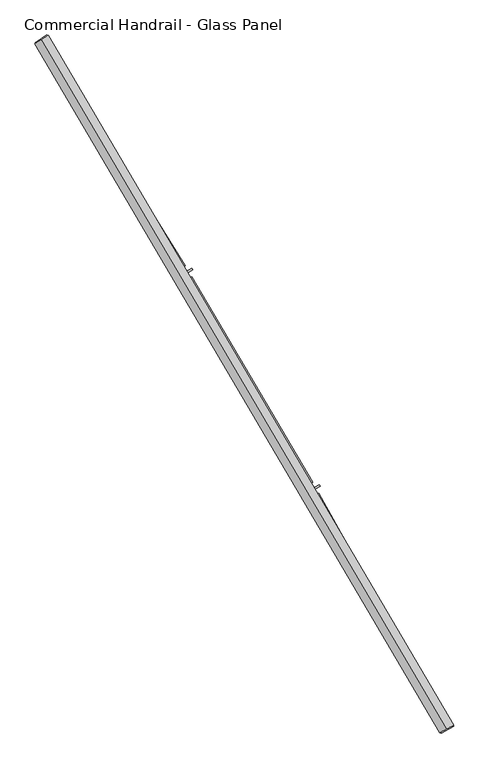
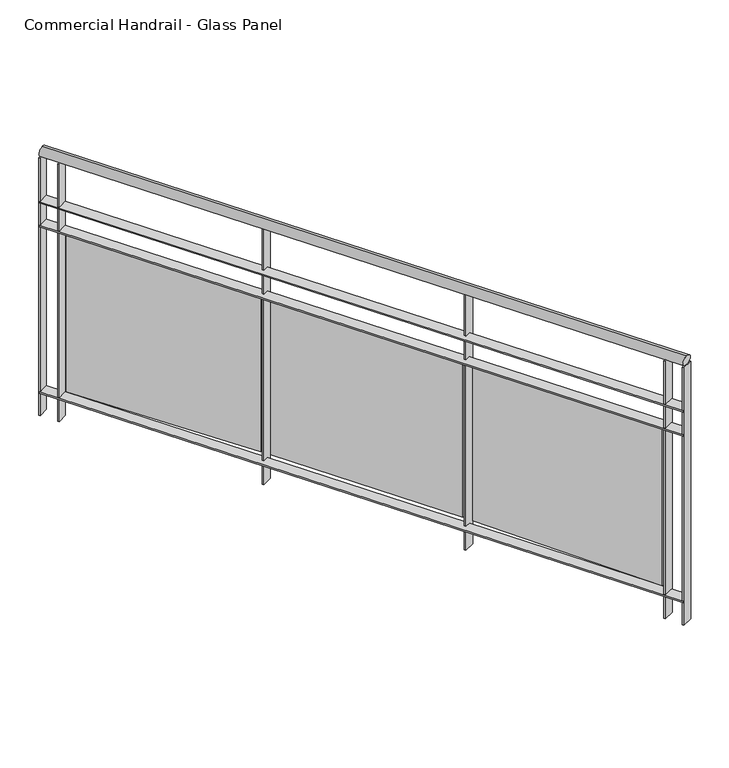
"""IFC4 building model written with IfcOpenShell, lengths in millimetres: railing geometry, Commercial Handrail - Glass Panel."""

from ifc_helpers import new_model, si_unit, point, frame, origin, place, context, project, spatial, polyline, circle_curve, ellipse_curve, trimmed, outline, extrude, source, transform, mapped, element, save
from ifc_brep_helpers import plane_surface, cylinder_surface, revolved_surface, advanced_brep


def commercial_handrail_glass_panel_beaf0eca(model_context):
    return source(origin(), model_context, "Body", "SolidModel", [
        advanced_brep(
        [(177076.0575657, -31977.9006077, 26482.5), (175783.9289157, -29780.3413827, 26482.5), (175783.9289157, -29780.3413827, 26517.5), (177076.0575657, -31977.9006077, 26517.5)],
        [
            (0, 1, circle_curve(frame((146629.3968491, -48401.3811221, 26482.5), z_axis=(0.0, 0.0, 1.0), x_axis=(0.8427679503753938, 0.5382770493157384, 0.0)), 34593.7835601)),
            (1, 2, ellipse_curve(frame((175783.9289157, -29780.3413827, 26500.0), z_axis=(0.5382770493157341, -0.8427679503753968, 0.0), x_axis=(-0.8427679503753965, -0.538277049315734, 0.0)), 25.0, 17.5)),
            (2, 3, circle_curve(frame((146629.3968491, -48401.3811221, 26517.5), z_axis=(0.0, 0.0, -1.0), x_axis=(0.8427679503753938, 0.5382770493157384, 0.0)), 34593.7835601)),
            (3, 0, ellipse_curve(frame((177076.0575657, -31977.9006077, 26500.0), z_axis=(-0.4747523636984615, 0.8801194198304706, 0.0), x_axis=(-0.8801194198304704, -0.4747523636984614, 0.0)), 25.0, 17.5)),
            (2, 1, ellipse_curve(frame((175783.9289157, -29780.3413827, 26500.0), z_axis=(0.5382770493157341, -0.8427679503753968, 0.0), x_axis=(-0.8427679503753965, -0.538277049315734, 0.0)), 25.0, 17.5)),
            (0, 3, ellipse_curve(frame((177076.0575657, -31977.9006077, 26500.0), z_axis=(-0.4747523636984615, 0.8801194198304706, 0.0), x_axis=(-0.8801194198304704, -0.4747523636984614, 0.0)), 25.0, 17.5)),
        ],
        [
            revolved_surface(trimmed(ellipse_curve(frame((175783.9289157, -29780.3413827, 26500.0), z_axis=(-0.5382770493157384, 0.8427679503753938, 0.0), x_axis=(0.0, 0.0, -1.0)), 17.5, 25.0), [point((175783.9289157, -29780.3413827, 26517.5))], [point((175783.9289157, -29780.3413827, 26482.5))], True, "CARTESIAN"), (146629.3968491, -48401.3811221, 26500.0), (0.0, 0.0, -1.0)),
            revolved_surface(trimmed(ellipse_curve(frame((175783.9289157, -29780.3413827, 26500.0), z_axis=(-0.5382770493157384, 0.8427679503753938, 0.0), x_axis=(0.0, 0.0, -1.0)), 17.5, 25.0), [point((175783.9289157, -29780.3413827, 26482.5))], [point((175783.9289157, -29780.3413827, 26517.5))], True, "CARTESIAN"), (146629.3968491, -48401.3811221, 26500.0), (0.0, 0.0, -1.0)),
            plane_surface(frame((175783.9289157, -29780.3413827, 26500.0), z_axis=(-0.5382770493157384, 0.8427679503753938, 0.0), x_axis=(0.8427679503753938, 0.5382770493157384, 0.0))),
            plane_surface(frame((177076.0575657, -31977.9006077, 26500.0), z_axis=(0.4747523636984607, -0.8801194198304708, 0.0), x_axis=(0.8801194198304708, 0.4747523636984607, 0.0))),
        ],
        [
            (0, [[1, 2, 3, 4]]),
            (1, [[-3, 5, -1, 6]]),
            (2, [[-2, -5]]),
            (3, [[-6, -4]]),
        ],
    ),
        advanced_brep(
        [(177095.8602527, -31967.2186795, 26300.0), (175802.8911946, -29768.2301491, 26300.0), (175764.9666369, -29792.4526163, 26300.0), (177056.2548788, -31988.5825359, 26300.0), (177095.8602527, -31967.2186795, 26294.0), (175802.8911946, -29768.2301491, 26294.0), (177056.2548788, -31988.5825359, 26294.0), (175764.9666369, -29792.4526163, 26294.0)],
        [
            (0, 1, circle_curve(frame((146629.3968491, -48401.3811221, 26300.0), z_axis=(0.0, 0.0, 1.0), x_axis=(0.8427679503753938, 0.5382770493157384, 0.0)), 34616.2835601)),
            (1, 2),
            (2, 3, circle_curve(frame((146629.3968491, -48401.3811221, 26300.0), z_axis=(0.0, 0.0, -1.0), x_axis=(0.8427679503753938, 0.5382770493157384, 0.0)), 34571.2835601)),
            (3, 0),
            (4, 5, circle_curve(frame((146629.3968491, -48401.3811221, 26294.0), z_axis=(0.0, 0.0, 1.0), x_axis=(0.8427679503753938, 0.5382770493157384, 0.0)), 34616.2835601)),
            (5, 1),
            (0, 4),
            (6, 7, circle_curve(frame((146629.3968491, -48401.3811221, 26294.0), z_axis=(0.0, 0.0, 1.0), x_axis=(0.8427679503753938, 0.5382770493157384, 0.0)), 34571.2835601)),
            (7, 5),
            (4, 6),
            (2, 7),
            (6, 3),
        ],
        [
            plane_surface(frame((146629.3968491, -48401.3811221, 26300.0), z_axis=(0.0, 0.0, 1.0), x_axis=(0.8427679503753938, 0.5382770493157384, 0.0))),
            cylinder_surface(frame((146629.3968491, -48401.3811221, 26300.0), z_axis=(0.0, 0.0, -1.0), x_axis=(0.8427679503753938, 0.5382770493157384, 0.0)), 34616.2835601),
            plane_surface(frame((146629.3968491, -48401.3811221, 26294.0), z_axis=(0.0, 0.0, -1.0), x_axis=(0.8427679503753938, 0.5382770493157384, 0.0))),
            revolved_surface(polyline([(175764.96663689203, -29792.45261631168, 26294.0), (175764.96663689203, -29792.45261631168, 26300.0)]), (146629.3968491, -48401.3811221, 26300.0), (0.0, 0.0, -1.0)),
            plane_surface(frame((175783.9289157, -29780.3413827, 26300.0), z_axis=(-0.5382770493157384, 0.8427679503753938, 0.0), x_axis=(0.8427679503753938, 0.5382770493157384, 0.0))),
            plane_surface(frame((177076.0575657, -31977.9006077, 26300.0), z_axis=(0.4747523636984607, -0.8801194198304708, 0.0), x_axis=(0.8801194198304708, 0.4747523636984607, 0.0))),
        ],
        [
            (0, [[1, 2, 3, 4]]),
            (1, [[5, 6, -1, 7]]),
            (2, [[8, 9, -5, 10]]),
            (3, [[-3, 11, -8, 12]]),
            (4, [[-2, -6, -9, -11]]),
            (5, [[-12, -10, -7, -4]]),
        ],
    ),
        advanced_brep(
        [(177095.8602527, -31967.2186795, 26200.0), (175802.8911946, -29768.2301491, 26200.0), (175764.9666369, -29792.4526163, 26200.0), (177056.2548788, -31988.5825359, 26200.0), (177095.8602527, -31967.2186795, 26194.0), (175802.8911946, -29768.2301491, 26194.0), (177056.2548788, -31988.5825359, 26194.0), (175764.9666369, -29792.4526163, 26194.0)],
        [
            (0, 1, circle_curve(frame((146629.3968491, -48401.3811221, 26200.0), z_axis=(0.0, 0.0, 1.0), x_axis=(0.8427679503753938, 0.5382770493157384, 0.0)), 34616.2835601)),
            (1, 2),
            (2, 3, circle_curve(frame((146629.3968491, -48401.3811221, 26200.0), z_axis=(0.0, 0.0, -1.0), x_axis=(0.8427679503753938, 0.5382770493157384, 0.0)), 34571.2835601)),
            (3, 0),
            (4, 5, circle_curve(frame((146629.3968491, -48401.3811221, 26194.0), z_axis=(0.0, 0.0, 1.0), x_axis=(0.8427679503753938, 0.5382770493157384, 0.0)), 34616.2835601)),
            (5, 1),
            (0, 4),
            (6, 7, circle_curve(frame((146629.3968491, -48401.3811221, 26194.0), z_axis=(0.0, 0.0, 1.0), x_axis=(0.8427679503753938, 0.5382770493157384, 0.0)), 34571.2835601)),
            (7, 5),
            (4, 6),
            (2, 7),
            (6, 3),
        ],
        [
            plane_surface(frame((146629.3968491, -48401.3811221, 26200.0), z_axis=(0.0, 0.0, 1.0), x_axis=(0.8427679503753938, 0.5382770493157384, 0.0))),
            cylinder_surface(frame((146629.3968491, -48401.3811221, 26200.0), z_axis=(0.0, 0.0, -1.0), x_axis=(0.8427679503753938, 0.5382770493157384, 0.0)), 34616.2835601),
            plane_surface(frame((146629.3968491, -48401.3811221, 26194.0), z_axis=(0.0, 0.0, -1.0), x_axis=(0.8427679503753938, 0.5382770493157384, 0.0))),
            revolved_surface(polyline([(175764.96663689203, -29792.45261631168, 26194.0), (175764.96663689203, -29792.45261631168, 26200.0)]), (146629.3968491, -48401.3811221, 26200.0), (0.0, 0.0, -1.0)),
            plane_surface(frame((175783.9289157, -29780.3413827, 26200.0), z_axis=(-0.5382770493157384, 0.8427679503753938, 0.0), x_axis=(0.8427679503753938, 0.5382770493157384, 0.0))),
            plane_surface(frame((177076.0575657, -31977.9006077, 26200.0), z_axis=(0.4747523636984607, -0.8801194198304708, 0.0), x_axis=(0.8801194198304708, 0.4747523636984607, 0.0))),
        ],
        [
            (0, [[1, 2, 3, 4]]),
            (1, [[5, 6, -1, 7]]),
            (2, [[8, 9, -5, 10]]),
            (3, [[-3, 11, -8, 12]]),
            (4, [[-2, -6, -9, -11]]),
            (5, [[-12, -10, -7, -4]]),
        ],
    ),
        advanced_brep(
        [(177095.8602527, -31967.2186795, 25500.0), (175802.8911946, -29768.2301491, 25500.0), (175764.9666369, -29792.4526163, 25500.0), (177056.2548788, -31988.5825359, 25500.0), (177095.8602527, -31967.2186795, 25494.0), (175802.8911946, -29768.2301491, 25494.0), (177056.2548788, -31988.5825359, 25494.0), (175764.9666369, -29792.4526163, 25494.0)],
        [
            (0, 1, circle_curve(frame((146629.3968491, -48401.3811221, 25500.0), z_axis=(0.0, 0.0, 1.0), x_axis=(0.8427679503753938, 0.5382770493157384, 0.0)), 34616.2835601)),
            (1, 2),
            (2, 3, circle_curve(frame((146629.3968491, -48401.3811221, 25500.0), z_axis=(0.0, 0.0, -1.0), x_axis=(0.8427679503753938, 0.5382770493157384, 0.0)), 34571.2835601)),
            (3, 0),
            (4, 5, circle_curve(frame((146629.3968491, -48401.3811221, 25494.0), z_axis=(0.0, 0.0, 1.0), x_axis=(0.8427679503753938, 0.5382770493157384, 0.0)), 34616.2835601)),
            (5, 1),
            (0, 4),
            (6, 7, circle_curve(frame((146629.3968491, -48401.3811221, 25494.0), z_axis=(0.0, 0.0, 1.0), x_axis=(0.8427679503753938, 0.5382770493157384, 0.0)), 34571.2835601)),
            (7, 5),
            (4, 6),
            (2, 7),
            (6, 3),
        ],
        [
            plane_surface(frame((146629.3968491, -48401.3811221, 25500.0), z_axis=(0.0, 0.0, 1.0), x_axis=(0.8427679503753938, 0.5382770493157384, 0.0))),
            cylinder_surface(frame((146629.3968491, -48401.3811221, 25500.0), z_axis=(0.0, 0.0, -1.0), x_axis=(0.8427679503753938, 0.5382770493157384, 0.0)), 34616.2835601),
            plane_surface(frame((146629.3968491, -48401.3811221, 25494.0), z_axis=(0.0, 0.0, -1.0), x_axis=(0.8427679503753938, 0.5382770493157384, 0.0))),
            revolved_surface(polyline([(175764.96663689203, -29792.45261631168, 25494.0), (175764.96663689203, -29792.45261631168, 25500.0)]), (146629.3968491, -48401.3811221, 25500.0), (0.0, 0.0, -1.0)),
            plane_surface(frame((175783.9289157, -29780.3413827, 25500.0), z_axis=(-0.5382770493157384, 0.8427679503753938, 0.0), x_axis=(0.8427679503753938, 0.5382770493157384, 0.0))),
            plane_surface(frame((177076.0575657, -31977.9006077, 25500.0), z_axis=(0.4747523636984607, -0.8801194198304708, 0.0), x_axis=(0.8801194198304708, 0.4747523636984607, 0.0))),
        ],
        [
            (0, [[1, 2, 3, 4]]),
            (1, [[5, 6, -1, 7]]),
            (2, [[8, 9, -5, 10]]),
            (3, [[-3, 11, -8, 12]]),
            (4, [[-2, -6, -9, -11]]),
            (5, [[-12, -10, -7, -4]]),
        ],
    ),
        extrude(outline(polyline([(177019.2025619, -31920.0776321), (177058.7615677, -31898.6280386), (177061.6215135, -31903.9025727), (177022.0625077, -31925.3521662), (177019.2025619, -31920.0776321)])), frame((0.0, 0.0, 25400.0), z_axis=(0.0, 0.0, 1.0), x_axis=(1.0, 0.0, 0.0)), (0.0, 0.0, 1.0), 1082.1192282),
        extrude(outline(polyline([(176667.9811331, -31226.6066951), (177037.9417222, -31890.4810526), (177027.4594955, -31896.3225355), (176657.4989064, -31232.4481781), (176667.9811331, -31226.6066951)])), frame((0.0, 0.0, 25520.0), z_axis=(0.0, 0.0, 1.0), x_axis=(1.0, 0.0, 0.0)), (0.0, 0.0, 1.0), 660.0),
        extrude(outline(polyline([(176629.9717234, -31221.766365), (176669.0241625, -31199.4077648), (176672.0053092, -31204.6147567), (176632.9528701, -31226.9733569), (176629.9717234, -31221.766365)])), frame((0.0, 0.0, 25400.0), z_axis=(0.0, 0.0, 1.0), x_axis=(1.0, 0.0, 0.0)), (0.0, 0.0, 1.0), 1082.1192282),
        extrude(outline(polyline([(176262.8087433, -30536.6023126), (176648.0214972, -31191.7443844), (176637.6771487, -31197.8266911), (176252.4643948, -30542.6846193), (176262.8087433, -30536.6023126)])), frame((0.0, 0.0, 25520.0), z_axis=(0.0, 0.0, 1.0), x_axis=(1.0, 0.0, 0.0)), (0.0, 0.0, 1.0), 660.0),
        extrude(outline(polyline([(176224.6975714, -30532.6421866), (176263.2225599, -30509.3865364), (176266.3233132, -30514.5232015), (176227.7983248, -30537.7788517), (176224.6975714, -30532.6421866)])), frame((0.0, 0.0, 25400.0), z_axis=(0.0, 0.0, 1.0), x_axis=(1.0, 0.0, 0.0)), (0.0, 0.0, 1.0), 1082.1192282),
        extrude(outline(polyline([(175841.7893867, -29856.1514219), (176242.0483063, -30502.2108598), (176231.8473678, -30508.5307375), (175831.5884482, -29862.4712996), (175841.7893867, -29856.1514219)])), frame((0.0, 0.0, 25520.0), z_axis=(0.0, 0.0, 1.0), x_axis=(1.0, 0.0, 0.0)), (0.0, 0.0, 1.0), 660.0),
        extrude(outline(polyline([(175803.5968332, -29853.0736178), (175841.5737692, -29828.9333539), (175844.792471, -29833.9969454), (175806.8155351, -29858.1372092), (175803.5968332, -29853.0736178)])), frame((0.0, 0.0, 25400.0), z_axis=(0.0, 0.0, 1.0), x_axis=(1.0, 0.0, 0.0)), (0.0, 0.0, 1.0), 1082.1192282),
        extrude(outline(polyline([(177054.8306217, -31985.9421776), (177094.4359956, -31964.5783212), (177097.2845098, -31969.8590378), (177057.6791359, -31991.2228941), (177054.8306217, -31985.9421776)])), frame((0.0, 0.0, 25400.0), z_axis=(0.0, 0.0, 1.0), x_axis=(1.0, 0.0, 0.0)), (0.0, 0.0, 1.0), 1082.1192282),
        extrude(outline(polyline([(175763.3518057, -29789.9243125), (175801.2763635, -29765.7018453), (175804.5060258, -29770.758453), (175766.581468, -29794.9809202), (175763.3518057, -29789.9243125)])), frame((0.0, 0.0, 25400.0), z_axis=(0.0, 0.0, 1.0), x_axis=(1.0, 0.0, 0.0)), (0.0, 0.0, 1.0), 1082.1192282),
    ])


if __name__ == "__main__":
    model = new_model("IFC4")
    model_context = context("Model", 3, world=origin())
    ifc_project = project(units=[si_unit("LENGTHUNIT", "METRE", prefix="MILLI")], contexts=[model_context])
    site = spatial("IfcSite", under=ifc_project)
    building = spatial("IfcBuilding", under=site)
    placement = place(None, origin())
    commercial_handrail_glass_panel_shape = commercial_handrail_glass_panel_beaf0eca(model_context)
    element("IfcRailing", 1, ObjectType="Commercial Handrail - Glass Panel", at=placement, inside=building, context=model_context, shape_type="MappedRepresentation", body=[
        mapped(commercial_handrail_glass_panel_shape, transform((0.0, 0.0, 0.0), x_axis=(1.0, 0.0, 0.0), y_axis=(0.0, 1.0, 0.0), z_axis=(0.0, 0.0, 1.0))),
    ])
    save(model, "model.ifc")
